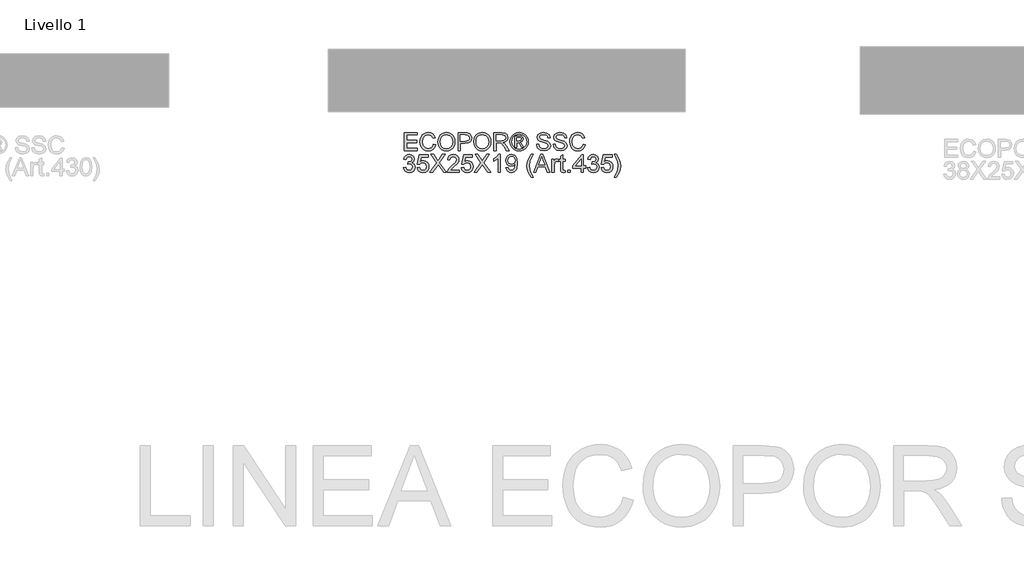
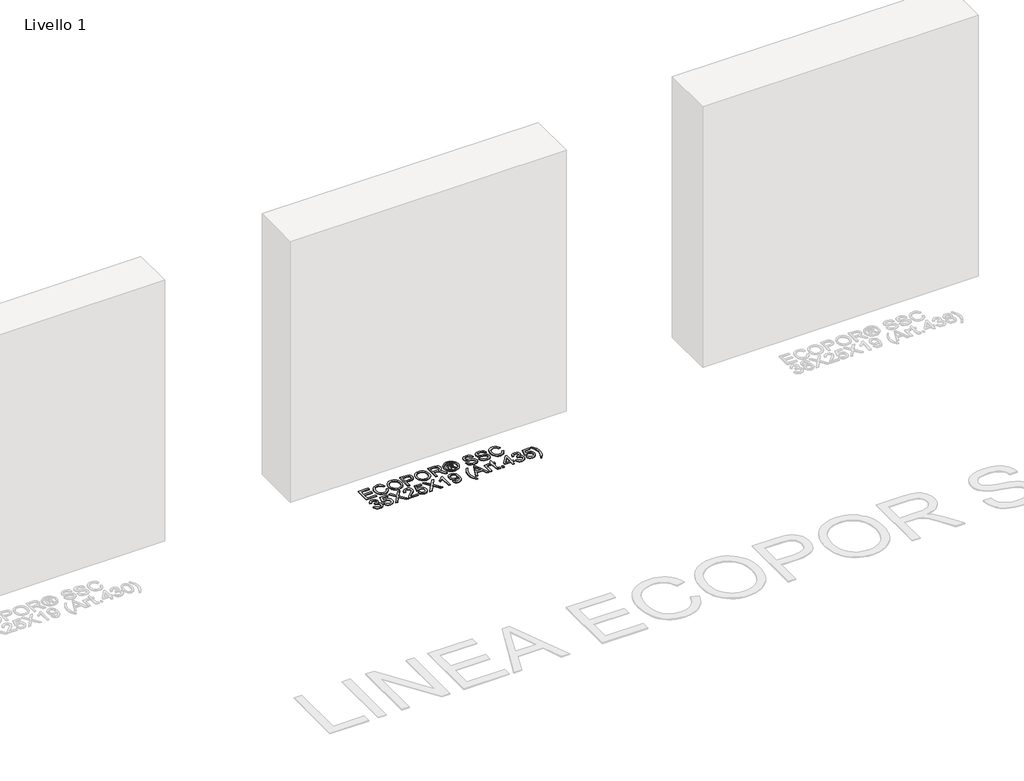
# One storey, part 6 of 10: 1 proxy.
"""IFC4 building model written with IfcOpenShell, lengths in millimetres."""

from ifc_helpers import new_model, si_unit, origin, origin_with_axes, place, context, project, spatial, polyline, outline, extrude, element, save

model = new_model("IFC4")

# Units and contexts
model_context = context("Model", 3, world=origin())
ifc_project = project(units=[si_unit("LENGTHUNIT", "METRE", prefix="MILLI")], contexts=[model_context])

# Site, building, storey
site = spatial("IfcSite", under=ifc_project)
building = spatial("IfcBuilding", under=site)
storey = spatial("IfcBuildingStorey", under=building, Name="Livello 1", Elevation=0.0)

# Proxy
placement = place(None, origin())
element("IfcBuildingElementProxy", 1, Name="100", ObjectType="100", at=placement, inside=storey, context=model_context, shape_type="SweptSolid", body=[
    extrude(outline(polyline([(-1654.1470874, 142.6202611), (-1654.1470874, 243.0765713), (-1581.9441145, 243.0765713), (-1581.9441145, 230.5195325), (-1641.5900487, 230.5195325), (-1641.5900487, 200.6965654), (-1585.0833742, 200.6965654), (-1585.0833742, 188.1395267), (-1641.5900487, 188.1395267), (-1641.5900487, 155.1772999), (-1580.3744847, 155.1772999), (-1580.3744847, 142.6202611), (-1654.1470874, 142.6202611)])), origin_with_axes(), (0.0, 0.0, 1.0), 5.0),
    extrude(outline(polyline([(-1490.9055834, 178.3293401), (-1478.3485447, 175.0919786), (-1484.1426861, 160.4594722), (-1493.2355027, 149.7694346), (-1505.1794049, 143.2303321), (-1519.5268027, 141.0506313), (-1534.091864, 142.6999689), (-1545.6586871, 147.6479817), (-1554.5246431, 155.7229915), (-1560.9871035, 166.75332), (-1566.2478161, 193.6087057), (-1564.7609597, 208.2565404), (-1560.3003905, 220.9055497), (-1553.0991004, 231.154129), (-1543.3900814, 238.6006737), (-1531.875375, 243.1348193), (-1519.2570225, 244.6462011), (-1505.4890389, 242.6902952), (-1494.1061568, 236.8225774), (-1485.4639956, 227.4047983), (-1479.9181745, 214.7987086), (-1492.4752133, 211.8066017), (-1502.7759092, 227.2453828), (-1519.7475319, 232.0891624), (-1539.3924304, 226.7180852), (-1550.4902039, 212.297111), (-1553.6907773, 193.6332311), (-1549.9015927, 172.0017698), (-1538.1048434, 158.1816695), (-1520.7776014, 153.6076701), (-1510.2960303, 155.1650372), (-1501.5618986, 159.8371385), (-1494.9676138, 167.5749231), (-1490.9055834, 178.3293401)])), origin_with_axes(), (0.0, 0.0, 1.0), 5.0),
    extrude(outline(polyline([(-1465.7915059, 191.524041), (-1462.4437797, 213.7379822), (-1452.4006013, 230.544058), (-1437.0660534, 241.1206653), (-1417.8442192, 244.6462011), (-1404.6679124, 242.9907321), (-1392.852769, 238.0243252), (-1383.0425825, 230.0964682), (-1375.8811463, 219.5566491), (-1371.5033505, 206.9137712), (-1370.0440853, 192.6767379), (-1371.5799926, 178.2496324), (-1376.1877146, 165.4289448), (-1383.6127995, 154.8707316), (-1393.6007957, 147.2310488), (-1405.3147716, 142.5957357), (-1417.9177956, 141.0506313), (-1431.2964375, 142.7582169), (-1443.1790259, 147.8809737), (-1452.964687, 155.9559835), (-1460.0525468, 166.5203281), (-1465.7915059, 191.524041)]), holes=[polyline([(-1453.2344671, 191.4014137), (-1450.7236725, 175.6867211), (-1443.1912887, 163.7121622), (-1431.8697203, 156.1337931), (-1417.991372, 153.6076701), (-1403.9106886, 156.1583186), (-1392.5707261, 163.8102641), (-1385.0935246, 176.152705), (-1382.6011241, 192.7748398), (-1386.8685552, 213.4988589), (-1399.3397548, 227.2208573), (-1417.7706428, 232.0891624), (-1431.2780434, 229.7439146), (-1442.762093, 222.7081715), (-1450.6163736, 210.1909866), (-1453.2344671, 191.4014137)])]), origin_with_axes(), (0.0, 0.0, 1.0), 5.0),
    extrude(outline(polyline([(-1352.778157, 142.6202611), (-1352.778157, 243.0765713), (-1315.5484991, 243.0765713), (-1300.5389137, 242.1200781), (-1288.3374942, 237.4234513), (-1280.4280313, 227.7113666), (-1277.4359244, 214.0138937), (-1279.4562097, 202.1742248), (-1285.5170655, 192.3088559), (-1296.8508967, 185.6501918), (-1314.6901078, 183.4306371), (-1340.2211182, 183.4306371), (-1340.2211182, 142.6202611), (-1352.778157, 142.6202611)]), holes=[polyline([(-1340.2211182, 195.9876759), (-1313.9543438, 195.9876759), (-1295.4621421, 200.5984636), (-1291.3602579, 206.1473503), (-1289.9929631, 213.5724353), (-1293.218062, 223.971233), (-1301.6916106, 229.6611412), (-1314.2486494, 230.5195325), (-1340.2211182, 230.5195325), (-1340.2211182, 195.9876759)])]), origin_with_axes(), (0.0, 0.0, 1.0), 5.0),
    extrude(outline(polyline([(-1264.8788856, 191.524041), (-1261.5311594, 213.7379822), (-1251.487981, 230.544058), (-1236.1534331, 241.1206653), (-1216.9315989, 244.6462011), (-1203.7552921, 242.9907321), (-1191.9401487, 238.0243252), (-1182.1299622, 230.0964682), (-1174.968526, 219.5566491), (-1170.5907302, 206.9137712), (-1169.131465, 192.6767379), (-1170.6673723, 178.2496324), (-1175.2750943, 165.4289448), (-1182.7001792, 154.8707316), (-1192.6881754, 147.2310488), (-1204.4021513, 142.5957357), (-1217.0051753, 141.0506313), (-1230.3838172, 142.7582169), (-1242.2664056, 147.8809737), (-1252.0520667, 155.9559835), (-1259.1399265, 166.5203281), (-1264.8788856, 191.524041)]), holes=[polyline([(-1252.3218468, 191.4014137), (-1249.8110522, 175.6867211), (-1242.2786684, 163.7121622), (-1230.9571, 156.1337931), (-1217.0787517, 153.6076701), (-1202.9980683, 156.1583186), (-1191.6581058, 163.8102641), (-1184.1809043, 176.152705), (-1181.6885038, 192.7748398), (-1185.9559349, 213.4988589), (-1198.4271345, 227.2208573), (-1216.8580225, 232.0891624), (-1230.3654231, 229.7439146), (-1241.8494727, 222.7081715), (-1249.7037533, 210.1909866), (-1252.3218468, 191.4014137)])]), origin_with_axes(), (0.0, 0.0, 1.0), 5.0),
    extrude(outline(polyline([(-1151.8655367, 142.6202611), (-1151.8655367, 243.0765713), (-1108.5780886, 243.0765713), (-1088.4794689, 240.3665072), (-1077.49206, 230.7770499), (-1073.3840444, 215.5835235), (-1075.0854986, 205.6874978), (-1080.1898613, 197.4837293), (-1088.8504166, 191.4688587), (-1101.2204487, 188.1395267), (-1094.083538, 182.7684495), (-1083.9054694, 169.8435288), (-1067.1545759, 142.6202611), (-1081.7472284, 142.6202611), (-1094.819302, 163.4423821), (-1104.2616065, 177.2256941), (-1110.8957452, 183.7372055), (-1116.8676962, 186.1284384), (-1124.1517597, 186.5698968), (-1139.3084979, 186.5698968), (-1139.3084979, 142.6202611), (-1151.8655367, 142.6202611)]), holes=[polyline([(-1139.3084979, 199.1269356), (-1111.2023135, 199.1269356), (-1096.8671784, 200.9050319), (-1088.7247236, 206.5949401), (-1085.9410832, 215.1175396), (-1091.2508466, 226.178525), (-1108.0385283, 230.5195325), (-1139.3084979, 230.5195325), (-1139.3084979, 199.1269356)])]), origin_with_axes(), (0.0, 0.0, 1.0), 5.0),
    extrude(outline(polyline([(-1010.5743251, 244.6462011), (-997.6800611, 242.972338), (-985.0923655, 237.9507488), (-974.0344459, 229.8144254), (-965.7295099, 218.7963596), (-960.5331767, 206.0737739), (-958.8010656, 192.8238907), (-960.5086512, 179.6905035), (-965.631408, 167.0721511), (-973.8351765, 156.0939392), (-984.7857972, 147.8809737), (-997.3949526, 142.7582169), (-1010.5743251, 141.0506313), (-1023.7353034, 142.7582169), (-1036.3383275, 147.8809737), (-1047.2981452, 156.0939392), (-1055.5295049, 167.0721511), (-1060.6798528, 179.6905035), (-1062.3966355, 192.8238907), (-1060.6553273, 206.0737739), (-1055.431403, 218.7963596), (-1047.0988758, 229.8144254), (-1036.0317591, 237.9507488), (-1023.4501949, 242.972338), (-1010.5743251, 244.6462011)]), holes=[polyline([(-1010.5743251, 235.228422), (-1031.396446, 229.7469803), (-1040.4248833, 223.0852505), (-1047.25216, 214.0629446), (-1052.9788564, 192.8238907), (-1047.3625246, 171.7687779), (-1031.6417007, 156.0847422), (-1010.5743251, 150.4684104), (-989.4946867, 156.0847422), (-973.810651, 171.7687779), (-968.2188447, 192.8238907), (-973.9087529, 214.0629446), (-980.7176355, 223.0852505), (-989.7644669, 229.7469803), (-1010.5743251, 235.228422)])]), origin_with_axes(), (0.0, 0.0, 1.0), 5.0),
    extrude(outline(polyline([(-1034.1432982, 161.4558193), (-1034.1432982, 224.2410131), (-1013.8607376, 224.2410131), (-998.8021012, 222.5119677), (-991.3831477, 216.478703), (-988.6240327, 207.3184413), (-993.3819732, 195.3990647), (-1005.9880629, 189.7091565), (-1001.0829696, 186.3736931), (-992.5235818, 173.8411798), (-985.484773, 161.4558193), (-996.0797745, 161.4558193), (-1001.5980044, 171.4131586), (-1010.8441052, 185.8341328), (-1018.8639327, 188.1395267), (-1024.7255192, 188.1395267), (-1024.7255192, 161.4558193), (-1034.1432982, 161.4558193)]), holes=[polyline([(-1024.7255192, 197.5573057), (-1012.8061425, 197.5573057), (-1001.156546, 199.9485387), (-998.0418118, 206.2883718), (-999.5378652, 210.8501085), (-1003.6949318, 213.8422154), (-1013.566432, 214.8232341), (-1024.7255192, 214.8232341), (-1024.7255192, 197.5573057)])]), origin_with_axes(), (0.0, 0.0, 1.0), 5.0),
    extrude(outline(polyline([(-913.2818001, 177.1521177), (-900.7247613, 177.1521177), (-896.6780594, 164.5828162), (-886.7942964, 156.6365651), (-871.7356601, 153.6076701), (-858.6145356, 155.9008012), (-850.140987, 162.203846), (-847.3573465, 170.6283437), (-849.4420112, 178.4642302), (-857.9768735, 184.1664011), (-876.2606086, 188.9611298), (-895.9422954, 195.15381), (-906.623136, 204.4980127), (-910.1425404, 216.9814751), (-905.7892701, 231.1939828), (-893.0728158, 241.2248986), (-874.4579869, 244.6462011), (-854.5923591, 241.065483), (-841.3486073, 230.544058), (-836.3699376, 214.8232341), (-848.9269764, 214.8232341), (-851.2323702, 222.315764), (-856.0393616, 227.7236293), (-873.9674775, 232.0891624), (-891.9446444, 227.7726803), (-897.5855016, 217.3493571), (-893.5878506, 208.6428165), (-873.0845607, 201.6285332), (-850.8644882, 195.3254883), (-838.7121197, 185.1474198), (-834.8003078, 170.9471748), (-839.3007309, 155.9253266), (-852.2501771, 144.9624432), (-871.2451508, 141.0506313), (-893.6736897, 145.2690115), (-907.861672, 157.9732031), (-913.2818001, 177.1521177)])), origin_with_axes(), (0.0, 0.0, 1.0), 5.0),
    extrude(outline(polyline([(-820.6736392, 177.1521177), (-808.1166004, 177.1521177), (-804.0698984, 164.5828162), (-794.1861355, 156.6365651), (-779.1274992, 153.6076701), (-766.0063747, 155.9008012), (-757.5328261, 162.203846), (-754.7491856, 170.6283437), (-756.8338503, 178.4642302), (-765.3687126, 184.1664011), (-783.6524477, 188.9611298), (-803.3341345, 195.15381), (-814.014975, 204.4980127), (-817.5343795, 216.9814751), (-813.1811092, 231.1939828), (-800.4646549, 241.2248986), (-781.8498259, 244.6462011), (-761.9841982, 241.065483), (-748.7404464, 230.544058), (-743.7617767, 214.8232341), (-756.3188155, 214.8232341), (-758.6242093, 222.315764), (-763.4312007, 227.7236293), (-781.3593166, 232.0891624), (-799.3364834, 227.7726803), (-804.9773407, 217.3493571), (-800.9796897, 208.6428165), (-780.4763998, 201.6285332), (-758.2563273, 195.3254883), (-746.1039587, 185.1474198), (-742.1921469, 170.9471748), (-746.6925699, 155.9253266), (-759.6420162, 144.9624432), (-778.6369898, 141.0506313), (-801.0655288, 145.2690115), (-815.2535111, 157.9732031), (-820.6736392, 177.1521177)])), origin_with_axes(), (0.0, 0.0, 1.0), 5.0),
    extrude(outline(polyline([(-652.7232456, 178.3293401), (-640.1662069, 175.0919786), (-645.9603483, 160.4594722), (-655.0531649, 149.7694346), (-666.997067, 143.2303321), (-681.3444649, 141.0506313), (-695.9095262, 142.6999689), (-707.4763492, 147.6479817), (-716.3423053, 155.7229915), (-722.8047657, 166.75332), (-728.0654782, 193.6087057), (-726.5786218, 208.2565404), (-722.1180527, 220.9055497), (-714.9167626, 231.154129), (-705.2077436, 238.6006737), (-693.6930372, 243.1348193), (-681.0746847, 244.6462011), (-667.3067011, 242.6902952), (-655.923819, 236.8225774), (-647.2816578, 227.4047983), (-641.7358367, 214.7987086), (-654.2928755, 211.8066017), (-664.5935713, 227.2453828), (-681.5651941, 232.0891624), (-701.2100926, 226.7180852), (-712.3078661, 212.297111), (-715.5084395, 193.6332311), (-711.7192549, 172.0017698), (-699.9225056, 158.1816695), (-682.5952636, 153.6076701), (-672.1136925, 155.1650372), (-663.3795608, 159.8371385), (-656.785276, 167.5749231), (-652.7232456, 178.3293401)])), origin_with_axes(), (0.0, 0.0, 1.0), 5.0),
    extrude(outline(polyline([(-1658.855977, 47.3291507), (-1646.2989382, 48.8987805), (-1639.370494, 35.6795542), (-1626.408785, 31.6328522), (-1617.8003463, 33.0246724), (-1611.1539449, 37.2001331), (-1605.4885622, 50.9834452), (-1611.104894, 63.9696796), (-1625.3787154, 69.1077648), (-1634.1833578, 67.7343387), (-1632.7854062, 80.2913774), (-1630.774318, 80.1442246), (-1616.5250221, 83.7494682), (-1611.7793443, 88.3234677), (-1610.1974517, 94.834979), (-1614.783714, 104.6574283), (-1626.6049887, 108.5447147), (-1638.5734163, 104.6206401), (-1644.7293084, 92.8484162), (-1657.2863471, 94.4180461), (-1653.5891331, 105.6936292), (-1647.0101767, 114.1119955), (-1638.0093306, 119.354314), (-1627.0464471, 121.1017534), (-1611.9019717, 117.6559254), (-1601.3069702, 108.2381463), (-1597.640413, 95.570743), (-1601.1230292, 83.9947229), (-1611.4237251, 75.6805898), (-1597.7385148, 67.0966765), (-1592.9315234, 50.762716), (-1595.3350191, 38.5245083), (-1602.5455062, 28.2973888), (-1613.4286819, 21.3812073), (-1626.8502434, 19.0758134), (-1638.9903492, 21.0439821), (-1648.8741122, 26.9484881), (-1655.7473741, 35.9799911), (-1658.855977, 47.3291507)])), origin_with_axes(), (0.0, 0.0, 1.0), 5.0),
    extrude(outline(polyline([(-1581.9441145, 47.3291507), (-1569.3870757, 48.8987805), (-1563.0595054, 35.961597), (-1549.9383809, 31.6328522), (-1540.9375348, 33.1381027), (-1534.1930315, 37.6538542), (-1529.9807827, 44.6589405), (-1528.5766997, 53.6321955), (-1533.8374123, 68.5436791), (-1540.4439598, 72.6455633), (-1549.7421772, 74.0128581), (-1560.7663743, 71.8300915), (-1567.8174459, 66.1647088), (-1580.3744847, 67.7343387), (-1569.3870757, 119.5321236), (-1520.7285505, 119.5321236), (-1520.7285505, 106.9750848), (-1559.2335327, 106.9750848), (-1564.6046098, 79.3103588), (-1555.6344205, 84.7550123), (-1546.2350355, 86.5698968), (-1534.5026656, 84.3196853), (-1524.7629897, 77.5690507), (-1518.2054932, 67.2806175), (-1516.019661, 54.4170104), (-1517.9878297, 41.8599717), (-1523.8923357, 31.1178174), (-1535.1985757, 22.0863144), (-1549.9874319, 19.0758134), (-1562.3206758, 21.0102596), (-1572.1461907, 26.8135981), (-1578.8814969, 35.8113785), (-1581.9441145, 47.3291507)])), origin_with_axes(), (0.0, 0.0, 1.0), 5.0),
    extrude(outline(polyline([(-1511.3107714, 20.6454433), (-1472.5850601, 75.3862842), (-1505.0322521, 121.1017534), (-1489.9736157, 121.1017534), (-1471.7021433, 95.3745392), (-1465.5462512, 85.3436235), (-1458.3357641, 95.5462175), (-1440.2604954, 121.1017534), (-1424.9811299, 121.1017534), (-1457.4283219, 75.2391314), (-1418.7026105, 20.6454433), (-1433.7612469, 20.6454433), (-1459.5620375, 57.0412353), (-1464.9331146, 64.595079), (-1470.843752, 56.3054714), (-1496.0314059, 20.6454433), (-1511.3107714, 20.6454433)])), origin_with_axes(), (0.0, 0.0, 1.0), 5.0),
    extrude(outline(polyline([(-1346.4996376, 33.2024821), (-1346.4996376, 20.6454433), (-1412.4240911, 20.6454433), (-1411.0751905, 29.3029329), (-1403.4477705, 42.6325239), (-1387.7269465, 57.1883881), (-1366.0464343, 78.1086109), (-1360.6263062, 92.3333814), (-1365.7398659, 103.8480879), (-1379.0939824, 108.5447147), (-1393.0121845, 103.9584525), (-1398.2974225, 91.2787864), (-1410.8544613, 92.8484162), (-1407.8102378, 104.9946534), (-1401.2282158, 113.8667409), (-1391.4517517, 119.2930003), (-1378.8242022, 121.1017534), (-1366.1046823, 119.0906652), (-1356.3466123, 113.0574005), (-1350.1386037, 104.0442916), (-1348.0692674, 93.0936709), (-1350.3010849, 81.186557), (-1357.7200385, 68.8747729), (-1375.709468, 51.6701582), (-1390.1549677, 39.591366), (-1395.8203504, 33.2024821), (-1346.4996376, 33.2024821)])), origin_with_axes(), (0.0, 0.0, 1.0), 5.0),
    extrude(outline(polyline([(-1333.9425988, 47.3291507), (-1321.3855601, 48.8987805), (-1315.0579897, 35.961597), (-1301.9368653, 31.6328522), (-1292.9360191, 33.1381027), (-1286.1915159, 37.6538542), (-1281.979267, 44.6589405), (-1280.5751841, 53.6321955), (-1285.8358966, 68.5436791), (-1292.4424441, 72.6455633), (-1301.7406615, 74.0128581), (-1312.7648586, 71.8300915), (-1319.8159302, 66.1647088), (-1332.372969, 67.7343387), (-1321.3855601, 119.5321236), (-1272.7270348, 119.5321236), (-1272.7270348, 106.9750848), (-1311.232017, 106.9750848), (-1316.6030941, 79.3103588), (-1307.6329048, 84.7550123), (-1298.2335198, 86.5698968), (-1286.5011499, 84.3196853), (-1276.761474, 77.5690507), (-1270.2039775, 67.2806175), (-1268.0181453, 54.4170104), (-1269.986314, 41.8599717), (-1275.89082, 31.1178174), (-1287.19706, 22.0863144), (-1301.9859162, 19.0758134), (-1314.3191601, 21.0102596), (-1324.144675, 26.8135981), (-1330.8799812, 35.8113785), (-1333.9425988, 47.3291507)])), origin_with_axes(), (0.0, 0.0, 1.0), 5.0),
    extrude(outline(polyline([(-1263.3092558, 20.6454433), (-1224.5835444, 75.3862842), (-1257.0307364, 121.1017534), (-1241.9721, 121.1017534), (-1223.7006276, 95.3745392), (-1217.5447356, 85.3436235), (-1210.3342485, 95.5462175), (-1192.2589798, 121.1017534), (-1176.9796142, 121.1017534), (-1209.4268062, 75.2391314), (-1170.7010948, 20.6454433), (-1185.7597312, 20.6454433), (-1211.5605218, 57.0412353), (-1216.9315989, 64.595079), (-1222.8422363, 56.3054714), (-1248.0298902, 20.6454433), (-1263.3092558, 20.6454433)])), origin_with_axes(), (0.0, 0.0, 1.0), 5.0),
    extrude(outline(polyline([(-1115.7640502, 20.6454433), (-1128.321089, 20.6454433), (-1128.321089, 98.9307319), (-1140.2159402, 90.4571832), (-1153.4351665, 84.1173502), (-1153.4351665, 95.9876759), (-1135.028804, 107.7353743), (-1123.8574541, 121.1017534), (-1115.7640502, 121.1017534), (-1115.7640502, 20.6454433)])), origin_with_axes(), (0.0, 0.0, 1.0), 5.0),
    extrude(outline(polyline([(-1084.3714533, 45.7595208), (-1071.8144145, 47.3291507), (-1066.1735573, 35.3484604), (-1055.4804539, 31.6328522), (-1045.3146481, 34.0240852), (-1038.4229921, 40.4129692), (-1034.3149765, 51.3268017), (-1032.500092, 65.8949287), (-1032.5736684, 68.3474753), (-1042.6168469, 58.8315944), (-1056.3878962, 55.1772999), (-1067.8382233, 57.4091173), (-1077.3694327, 64.1045696), (-1083.7981705, 74.4481851), (-1085.9410832, 87.6244919), (-1083.6939373, 101.2361257), (-1076.9524997, 111.9047036), (-1066.8265478, 118.802491), (-1054.4258589, 121.1017534), (-1036.5345312, 115.8533036), (-1024.2227471, 100.8927692), (-1020.0166296, 72.7865847), (-1024.2104844, 42.2891673), (-1029.4252116, 32.2981055), (-1036.681684, 25.0109763), (-1045.6672017, 20.5596042), (-1056.0690651, 19.0758134), (-1066.805088, 20.8263186), (-1075.3706072, 26.0778341), (-1081.3609523, 34.4992661), (-1084.3714533, 45.7595208)]), holes=[polyline([(-1032.5736684, 87.9187975), (-1033.9287004, 96.4291343), (-1037.9937964, 102.9774338), (-1044.3029727, 107.1528945), (-1052.3902452, 108.5447147), (-1060.7779547, 107.0455955), (-1067.4979325, 102.5482381), (-1071.9125164, 95.6657792), (-1073.3840444, 87.0113552), (-1071.9922242, 79.2521108), (-1067.8167635, 73.0931531), (-1061.2623326, 69.0740423), (-1052.7336017, 67.7343387), (-1038.2513138, 73.0931531), (-1033.9930797, 79.4789714), (-1032.5736684, 87.9187975)])]), origin_with_axes(), (0.0, 0.0, 1.0), 5.0),
    extrude(outline(polyline([(-941.5351373, -7.6078939), (-959.3651513, 21.8471911), (-964.828199, 39.0272803), (-966.6492148, 56.8205061), (-961.2045613, 87.3547117), (-941.5351373, 121.1017534), (-932.1173582, 121.1017534), (-943.8650566, 101.2116002), (-950.9283909, 81.9345837), (-954.0921761, 56.7469297), (-948.5984716, 24.5572552), (-932.1173582, -7.6078939), (-941.5351373, -7.6078939)])), origin_with_axes(), (0.0, 0.0, 1.0), 5.0),
    extrude(outline(polyline([(-929.6893371, 20.6454433), (-889.5901996, 121.1017534), (-878.8970963, 121.1017534), (-838.7979588, 20.6454433), (-852.0662361, 20.6454433), (-863.5686798, 52.0380402), (-904.9431415, 52.0380402), (-916.4210598, 20.6454433), (-929.6893371, 20.6454433)]), holes=[polyline([(-900.3323539, 64.595079), (-868.154942, 64.595079), (-877.2048391, 89.2922236), (-884.2436479, 108.5447147), (-890.4976418, 91.4504646), (-900.3323539, 64.595079)])]), origin_with_axes(), (0.0, 0.0, 1.0), 5.0),
    extrude(outline(polyline([(-826.9521585, 20.6454433), (-826.9521585, 94.4180461), (-815.9647496, 94.4180461), (-815.9647496, 83.5042135), (-808.1656513, 93.5596547), (-800.3175021, 95.9876759), (-787.7114124, 92.1126522), (-791.9052671, 80.8554632), (-800.734435, 83.4306371), (-807.8345575, 80.953565), (-812.3595061, 74.0864345), (-814.3951198, 59.4202056), (-814.3951198, 20.6454433), (-826.9521585, 20.6454433)])), origin_with_axes(), (0.0, 0.0, 1.0), 5.0),
    extrude(outline(polyline([(-753.1795558, 31.1178174), (-751.6099259, 20.2775613), (-761.0031795, 19.0758134), (-771.5246046, 21.1604781), (-776.7730544, 26.6296571), (-778.2936333, 40.878953), (-778.2936333, 81.8610073), (-787.7114124, 81.8610073), (-787.7114124, 94.4180461), (-778.2936333, 94.4180461), (-778.2936333, 112.3461619), (-765.7365945, 119.7283273), (-765.7365945, 94.4180461), (-753.1795558, 94.4180461), (-753.1795558, 81.8610073), (-765.7365945, 81.8610073), (-765.7365945, 41.246835), (-765.074407, 34.7721119), (-762.9284287, 32.4789808), (-758.6487348, 31.6328522), (-753.1795558, 31.1178174)])), origin_with_axes(), (0.0, 0.0, 1.0), 5.0),
    extrude(outline(polyline([(-737.4832573, 20.6454433), (-737.4832573, 33.2024821), (-724.9262186, 33.2024821), (-724.9262186, 20.6454433), (-737.4832573, 20.6454433)])), origin_with_axes(), (0.0, 0.0, 1.0), 5.0),
    extrude(outline(polyline([(-663.7106546, 20.6454433), (-663.7106546, 44.189891), (-709.2299201, 44.189891), (-709.2299201, 56.7469297), (-660.5713949, 119.5321236), (-651.1536158, 119.5321236), (-651.1536158, 56.7469297), (-638.596577, 56.7469297), (-638.596577, 44.189891), (-651.1536158, 44.189891), (-651.1536158, 20.6454433), (-663.7106546, 20.6454433)]), holes=[polyline([(-663.7106546, 56.7469297), (-663.7106546, 95.5462175), (-693.7788763, 56.7469297), (-663.7106546, 56.7469297)])]), origin_with_axes(), (0.0, 0.0, 1.0), 5.0),
    extrude(outline(polyline([(-627.6091681, 47.3291507), (-615.0521293, 48.8987805), (-608.1236851, 35.6795542), (-595.1619761, 31.6328522), (-586.5535374, 33.0246724), (-579.9071361, 37.2001331), (-574.2417533, 50.9834452), (-579.8580851, 63.9696796), (-594.1319065, 69.1077648), (-602.9365489, 67.7343387), (-601.5385974, 80.2913774), (-599.5275091, 80.1442246), (-585.2782132, 83.7494682), (-580.5325354, 88.3234677), (-578.9506429, 94.834979), (-583.5369051, 104.6574283), (-595.3581798, 108.5447147), (-607.3266074, 104.6206401), (-613.4824995, 92.8484162), (-626.0395382, 94.4180461), (-622.3423242, 105.6936292), (-615.7633678, 114.1119955), (-606.7625217, 119.354314), (-595.7996382, 121.1017534), (-580.6551628, 117.6559254), (-570.0601613, 108.2381463), (-566.3936041, 95.570743), (-569.8762203, 83.9947229), (-580.1769162, 75.6805898), (-566.491706, 67.0966765), (-561.6847146, 50.762716), (-564.0882103, 38.5245083), (-571.2986974, 28.2973888), (-582.1818731, 21.3812073), (-595.6034345, 19.0758134), (-607.7435404, 21.0439821), (-617.6273033, 26.9484881), (-624.5005652, 35.9799911), (-627.6091681, 47.3291507)])), origin_with_axes(), (0.0, 0.0, 1.0), 5.0),
    extrude(outline(polyline([(-550.6973056, 47.3291507), (-538.1402669, 48.8987805), (-531.8126965, 35.961597), (-518.6915721, 31.6328522), (-509.6907259, 33.1381027), (-502.9462227, 37.6538542), (-498.7339738, 44.6589405), (-497.3298909, 53.6321955), (-502.5906034, 68.5436791), (-509.1971509, 72.6455633), (-518.4953683, 74.0128581), (-529.5195654, 71.8300915), (-536.570637, 66.1647088), (-549.1276758, 67.7343387), (-538.1402669, 119.5321236), (-489.4817416, 119.5321236), (-489.4817416, 106.9750848), (-527.9867238, 106.9750848), (-533.3578009, 79.3103588), (-524.3876116, 84.7550123), (-514.9882266, 86.5698968), (-503.2558567, 84.3196853), (-493.5161809, 77.5690507), (-486.9586843, 67.2806175), (-484.7728521, 54.4170104), (-486.7410208, 41.8599717), (-492.6455268, 31.1178174), (-503.9517668, 22.0863144), (-518.740623, 19.0758134), (-531.0738669, 21.0102596), (-540.8993818, 26.8135981), (-547.634688, 35.8113785), (-550.6973056, 47.3291507)])), origin_with_axes(), (0.0, 0.0, 1.0), 5.0),
    extrude(outline(polyline([(-467.5069238, -7.6078939), (-476.9247029, -7.6078939), (-460.4435895, 24.5572552), (-454.949885, 56.7469297), (-458.1136702, 81.7138545), (-465.1034281, 101.0153965), (-476.9247029, 121.1017534), (-467.5069238, 121.1017534), (-447.8374998, 87.3547117), (-442.3928463, 56.8205061), (-444.2230592, 39.0272803), (-449.713698, 21.8471911), (-467.5069238, -7.6078939)])), origin_with_axes(), (0.0, 0.0, 1.0), 5.0),
])

save(model, "model.ifc")
